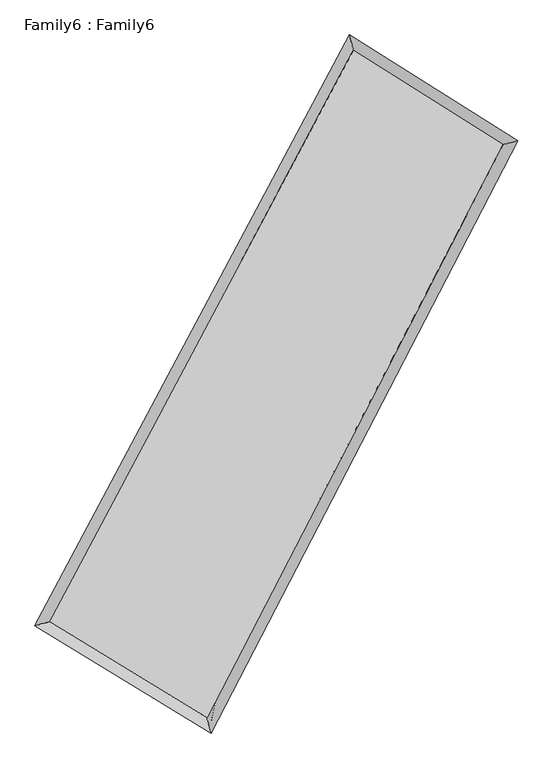
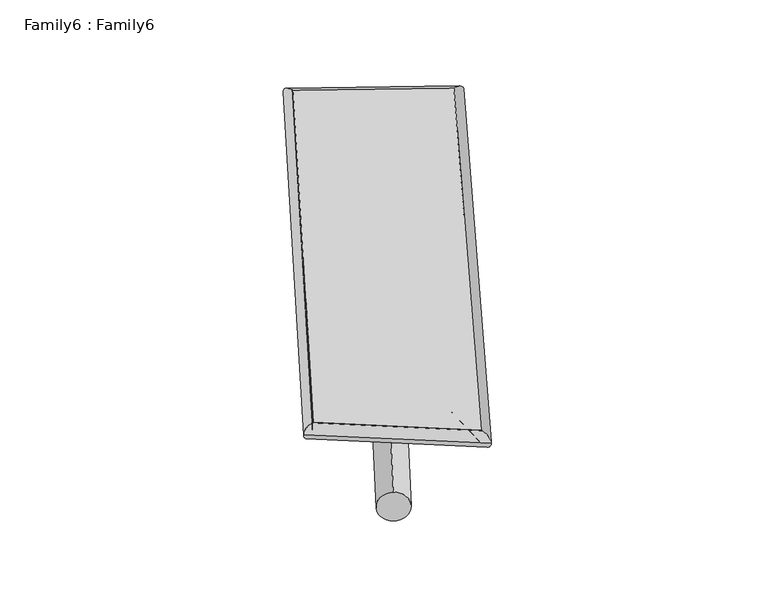
"""IFC4 building model written with IfcOpenShell, lengths in millimetres: plate geometry, Family6 : Family6."""

from ifc_helpers import new_model, si_unit, point, frame, origin, origin_2d, place, context, project, spatial, circle_curve, ellipse_curve, trimmed, segment, composite_curve, outline, extrude, source, transform, mapped, element, save
from ifc_brep_helpers import plane_surface, cylinder_surface, spline_surface, advanced_brep


def family6_family6_8811308a(model_context):
    return source(origin(), model_context, "Body", "SolidModel", [
        extrude(outline(composite_curve([segment(trimmed(circle_curve(origin_2d(), 76.2), [point((-75.4341514, -10.7763074))], [point((75.4341514, 10.7763074))], False, "CARTESIAN"), True, "CONTINUOUS"), segment(trimmed(circle_curve(origin_2d(), 76.2), [point((75.4341514, 10.7763074))], [point((-75.4341514, -10.7763074))], False, "CARTESIAN"), True, "CONTINUOUS")], self_intersect=False)), frame((9144.0, 9144.0, 0.0), z_axis=(0.6580086198942084, 0.6945809686196062, 0.29082973399631784), x_axis=(-0.6878157075000247, 0.71160039839067, -0.14329837935748002)), (0.0, 0.0, 1.0), 5441.1514573),
        extrude(outline(composite_curve([segment(trimmed(circle_curve(origin_2d(), 76.2), [point((-53.8815367, 53.8815368))], [point((53.8815367, -53.8815368))], False, "CARTESIAN"), True, "CONTINUOUS"), segment(trimmed(circle_curve(origin_2d(), 76.2), [point((53.8815367, -53.8815368))], [point((-53.8815367, 53.8815368))], False, "CARTESIAN"), True, "CONTINUOUS")], self_intersect=False)), frame((9144.0, 9144.0, 0.0), z_axis=(-0.6660997868203073, -0.6876375440288445, 0.2889042783343999), x_axis=(0.651829914306307, -0.34840985040960737, 0.6735936007363696)), (0.0, 0.0, 1.0), 5471.4772423),
        extrude(outline(composite_curve([segment(trimmed(circle_curve(origin_2d(), 76.2), [point((-53.8815367, -53.8815367))], [point((53.8815367, 53.8815367))], False, "CARTESIAN"), True, "CONTINUOUS"), segment(trimmed(circle_curve(origin_2d(), 76.2), [point((53.8815367, 53.8815367))], [point((-53.8815367, -53.8815367))], False, "CARTESIAN"), True, "CONTINUOUS")], self_intersect=False)), frame((9144.0, 9144.0, 0.0), z_axis=(0.2106317558341922, 0.9422380963947284, 0.26042586879310553), x_axis=(-0.8485880607106028, 0.30849076922441954, -0.4298043142207211)), (0.0, 0.0, 1.0), 5611.5353913),
        extrude(outline(composite_curve([segment(trimmed(circle_curve(origin_2d(), 76.2), [point((-75.4341514, 10.7763074))], [point((75.4341514, -10.7763074))], False, "CARTESIAN"), True, "CONTINUOUS"), segment(trimmed(circle_curve(origin_2d(), 76.2), [point((75.4341514, -10.7763074))], [point((-75.4341514, 10.7763074))], False, "CARTESIAN"), True, "CONTINUOUS")], self_intersect=False)), frame((9144.0, 9144.0, 0.0), z_axis=(-0.20066073732217982, -0.944316232921836, 0.2607721625051878), x_axis=(0.8997154405701461, -0.07231647901280258, 0.43044448290442633)), (0.0, 0.0, 1.0), 5611.5248463),
        advanced_brep(
        [(5297.8711984, 5326.8154364, 1572.5297981), (5297.5139675, 5326.3554299, 1590.6139769), (5701.0291523, 5436.3982174, 1588.9365701), (10383.174863, 14215.4946823, 1473.1622111), (10268.7602418, 14647.3101677, 1449.615748), (5701.3863832, 5436.858224, 1570.8523913), (12524.5157115, 12869.0237636, 1581.2486952), (12924.1334107, 12977.6167357, 1583.6485667), (7957.8608246, 4060.092373, 1465.664947), (8078.1137491, 3629.7996195, 1460.9939913)],
        [
            (0, 1, ellipse_curve(frame((5499.4501753, 5381.6068269, 1580.7331841), z_axis=(-0.26297819675098166, 0.9646078787677133, 0.01934187821424136), x_axis=(-0.9639214719926015, -0.26354164458608387, 0.037432571384806775)), 209.6002859, 152.4)),
            (1, 2, ellipse_curve(frame((5499.4501753, 5381.6068269, 1580.7331841), z_axis=(-0.26297819675098166, 0.9646078787677133, 0.01934187821424136), x_axis=(-0.9639214719926015, -0.26354164458608387, 0.037432571384806775)), 209.6002859, 152.4)),
            (2, 3),
            (3, 4, ellipse_curve(frame((10325.9675524, 14431.402425, 1461.3889795), z_axis=(-0.9660844623177627, -0.25721838083891657, -0.022792898604726556), x_axis=(0.2562904228047953, -0.9658873095781657, 0.037106931621892617)), 223.6993609, 152.4)),
            (4, 0),
            (2, 5, ellipse_curve(frame((5499.4501753, 5381.6068269, 1580.7331841), z_axis=(-0.26297819675098166, 0.9646078787677133, 0.01934187821424136), x_axis=(-0.9639214719926015, -0.26354164458608387, 0.037432571384806775)), 209.6002859, 152.4)),
            (5, 0, ellipse_curve(frame((5499.4501753, 5381.6068269, 1580.7331841), z_axis=(-0.26297819675098166, 0.9646078787677133, 0.01934187821424136), x_axis=(-0.9639214719926015, -0.26354164458608387, 0.037432571384806775)), 209.6002859, 152.4)),
            (4, 3, ellipse_curve(frame((10325.9675524, 14431.402425, 1461.3889795), z_axis=(-0.9660844623177627, -0.25721838083891657, -0.022792898604726556), x_axis=(0.2562904228047953, -0.9658873095781657, 0.037106931621892617)), 223.6993609, 152.4)),
            (3, 6),
            (6, 7, ellipse_curve(frame((12724.3245611, 12923.3202496, 1582.448631), z_axis=(-0.26205608610000847, 0.9648219705011253, -0.021099122642210283), x_axis=(-0.964037908261178, -0.2627203063949139, -0.04011174445440095)), 207.1616677, 152.4)),
            (7, 4),
            (7, 6, ellipse_curve(frame((12724.3245611, 12923.3202496, 1582.448631), z_axis=(-0.26205608610000847, 0.9648219705011253, -0.021099122642210283), x_axis=(-0.964037908261178, -0.2627203063949139, -0.04011174445440095)), 207.1616677, 152.4)),
            (6, 8),
            (8, 9, ellipse_curve(frame((8017.9872868, 3844.9459962, 1463.3294691), z_axis=(0.9628343482237479, 0.2693048610972996, -0.020613337185296704), x_axis=(-0.2684978014119533, 0.962638969221775, 0.035144637892368595)), 223.4807309, 152.4)),
            (9, 7),
            (9, 8, ellipse_curve(frame((8017.9872868, 3844.9459962, 1463.3294691), z_axis=(0.9628343482237479, 0.2693048610972996, -0.020613337185296704), x_axis=(-0.2684978014119533, 0.962638969221775, 0.035144637892368595)), 223.4807309, 152.4)),
            (8, 5),
            (1, 9),
        ],
        [
            cylinder_surface(frame((5499.4501753, 5381.6068269, 1580.7331841), z_axis=(-0.470553323219382, -0.8822948433485372, 0.011635265694256752), x_axis=(-0.8808571008658445, 0.4689325998324889, -0.06475325990683713)), 152.4),
            cylinder_surface(frame((10325.9675524, 14431.402425, 1461.3889795), z_axis=(-0.8457783057625093, 0.5318237370837012, -0.042691570313417734), x_axis=(0.5331817703215433, 0.8454180967811773, -0.03139174145658486)), 152.4),
            cylinder_surface(frame((12724.3245611, 12923.3202496, 1582.448631), z_axis=(0.4602113428816808, 0.8877329785151401, 0.011648121723170021), x_axis=(0.8878048524195652, -0.4602113428816808, -0.002839701271991258)), 152.4),
            cylinder_surface(frame((8017.9872868, 3844.9459962, 1463.3294691), z_axis=(0.8529752938720695, -0.520434548148366, -0.03976215710274327), x_axis=(-0.5197249196153172, -0.8538975573872745, 0.027294127919732243)), 152.4),
        ],
        [
            (0, [[1, 2, 3, 4, 5]]),
            (0, [[6, 7, -5, 8, -3]]),
            (1, [[-4, 9, 10, 11]]),
            (1, [[-8, -11, 12, -9]]),
            (2, [[-10, 13, 14, 15]]),
            (2, [[-12, -15, 16, -13]]),
            (3, [[-14, 17, -6, -2, 18]]),
            (3, [[-16, -18, -1, -7, -17]]),
        ],
    ),
        extrude(outline(composite_curve([segment(trimmed(circle_curve(origin_2d(), 304.8), [point((0.0, -304.8))], [point((1e-07, 304.8))], False, "CARTESIAN"), True, "CONTINUOUS"), segment(trimmed(circle_curve(origin_2d(), 304.8), [point((1e-07, 304.8))], [point((0.0, -304.8))], False, "CARTESIAN"), True, "CONTINUOUS")], self_intersect=False)), frame((6697.4598632, 4628.9969497, -0.1186577), z_axis=(0.4764206752017914, 0.8792174587133488, 2.3106494799846497e-05), x_axis=(-0.8792174589974617, 0.4764206752017914, 5.857976575859784e-06)), (0.0, 0.0, 1.0), 10270.5036292),
        advanced_brep(
        [(5499.4501753, 5381.6068269, 1580.7331841), (8017.9872868, 3844.9459962, 1463.3294691), (8018.0201746, 3844.9344187, 1615.7294651), (5499.483063, 5381.5952494, 1733.1331801), (12724.3245611, 12923.3202496, 1582.448631), (12724.3574488, 12923.3086721, 1734.848627), (10325.9675524, 14431.402425, 1461.3889795), (10326.0004401, 14431.3908474, 1613.7889756)],
        [
            (0, 1),
            (1, 2),
            (2, 3),
            (3, 0),
            (1, 4),
            (4, 5),
            (5, 2),
            (4, 6),
            (6, 7),
            (7, 5),
            (6, 0),
            (3, 7),
        ],
        [
            plane_surface(frame((6758.7187311, 4613.2764116, 1522.0313266), z_axis=(-0.5208448319576174, -0.8536513683947852, 4.754736951254404e-05), x_axis=(0.8529752938720697, -0.5204345481483655, -0.03976215710274328))),
            plane_surface(frame((10371.155924, 8384.1331229, 1522.88905), z_axis=(0.8877943997038644, -0.46024021177019875, -0.00022654840119705477), x_axis=(0.46021134288168053, 0.8877329785151403, 0.01164812172317003))),
            plane_surface(frame((11525.1460567, 13677.3613373, 1521.9188053), z_axis=(0.5323108719029924, 0.8465489549325738, -5.05612821949733e-05), x_axis=(-0.8457783057625093, 0.5318237370837011, -0.04269157031341772))),
            plane_surface(frame((7912.7088639, 9906.5046259, 1521.0610818), z_axis=(-0.8823533107230485, 0.47058748804829215, 0.0002261602840982098), x_axis=(-0.47055332321938215, -0.8822948433485371, 0.011635265694256765))),
            spline_surface(1, 1, [[(8018.0201746, 3844.9344187, 1615.7294651), (5499.483063, 5381.5952494, 1733.1331801)], [(12724.3574488, 12923.3086721, 1734.848627), (10326.0004401, 14431.3908474, 1613.7889756)]], [2, 2], [2, 2], [0.0, 1.0], [0.0, 1.0]),
            spline_surface(1, 1, [[(10325.9675524, 14431.402425, 1461.3889795), (5499.4501753, 5381.6068269, 1580.7331841)], [(12724.3245611, 12923.3202496, 1582.448631), (8017.9872868, 3844.9459962, 1463.3294691)]], [2, 2], [2, 2], [0.0, 1.0], [0.0, 1.0]),
        ],
        [
            (0, [[1, 2, 3, 4]]),
            (1, [[5, 6, 7, -2]]),
            (2, [[8, 9, 10, -6]]),
            (3, [[11, -4, 12, -9]]),
            (4, [[-3, -7, -10, -12]]),
            (5, [[-11, -8, -5, -1]]),
        ],
    ),
    ])


if __name__ == "__main__":
    model = new_model("IFC4")
    model_context = context("Model", 3, world=origin())
    ifc_project = project(units=[si_unit("LENGTHUNIT", "METRE", prefix="MILLI")], contexts=[model_context])
    site = spatial("IfcSite", under=ifc_project)
    building = spatial("IfcBuilding", under=site)
    placement = place(None, origin())
    family6_family6_shape = family6_family6_8811308a(model_context)
    element("IfcPlate", 1, ObjectType="Family6 : Family6", at=placement, inside=building, context=model_context, shape_type="MappedRepresentation", body=[
        mapped(family6_family6_shape, transform((0.0, 0.0, 0.0), x_axis=(1.0, 0.0, 0.0), y_axis=(0.0, 1.0, 0.0), z_axis=(0.0, 0.0, 1.0))),
    ])
    save(model, "model.ifc")
